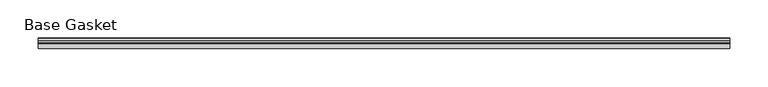
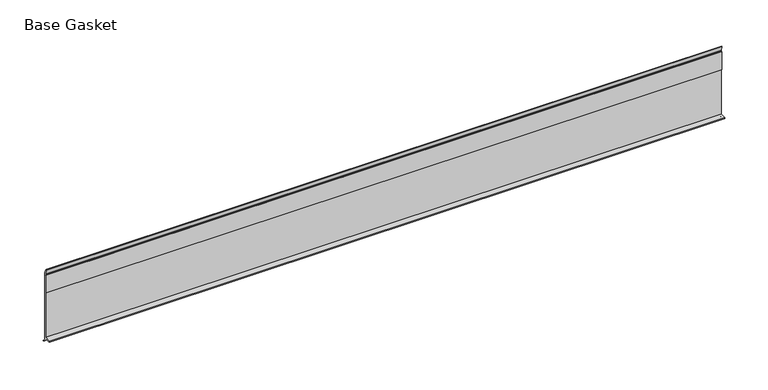
"""IFC4 building model written with IfcOpenShell, lengths in millimetres: furniture geometry, Base Gasket."""

from ifc_helpers import new_model, si_unit, frame, origin, place, context, project, spatial, polyline, outline, extrude, source, transform, mapped, element, save


def base_gasket_881e2ffe(model_context):
    return source(origin(), model_context, "Body", "SweptSolid", [
        extrude(outline(polyline([(3.7283812, 98.4568417), (3.7283812, 4.3498477), (7.4222115, 0.6560174), (7.8482342, 0.0), (6.8281054, 0.3520979), (2.2043812, 4.3498477), (2.1334222, 6.3818476), (-6.2405171, 6.3818476), (-6.2405171, 7.9398773), (2.2043812, 7.9398773), (2.2043812, 71.4693447), (1.4106313, 71.4693447), (1.4106313, 96.8693477), (2.2043812, 96.8693477), (2.2043812, 98.4568417), (0.6755308, 104.4162708), (0.6755308, 105.2002997), (1.1891543, 104.587663), (3.7283812, 98.4568417)])), frame((-1527.8982117, 0.0, 0.0), z_axis=(1.0, 0.0, 0.0), x_axis=(0.0, 1.0, 0.0)), (0.0, 0.0, 1.0), 904.7750229),
    ])


if __name__ == "__main__":
    model = new_model("IFC4")
    model_context = context("Model", 3, world=origin())
    ifc_project = project(units=[si_unit("LENGTHUNIT", "METRE", prefix="MILLI")], contexts=[model_context])
    site = spatial("IfcSite", under=ifc_project)
    building = spatial("IfcBuilding", under=site)
    placement = place(None, origin())
    base_gasket_shape = base_gasket_881e2ffe(model_context)
    element("IfcFurniture", 1, ObjectType="Base Gasket", at=placement, inside=building, context=model_context, shape_type="MappedRepresentation", body=[
        mapped(base_gasket_shape, transform((0.0, 0.0, 0.0), x_axis=(1.0, 0.0, 0.0), y_axis=(0.0, 1.0, 0.0), z_axis=(0.0, 0.0, 1.0))),
    ])
    save(model, "model.ifc")
